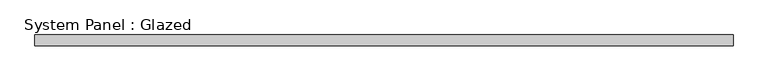
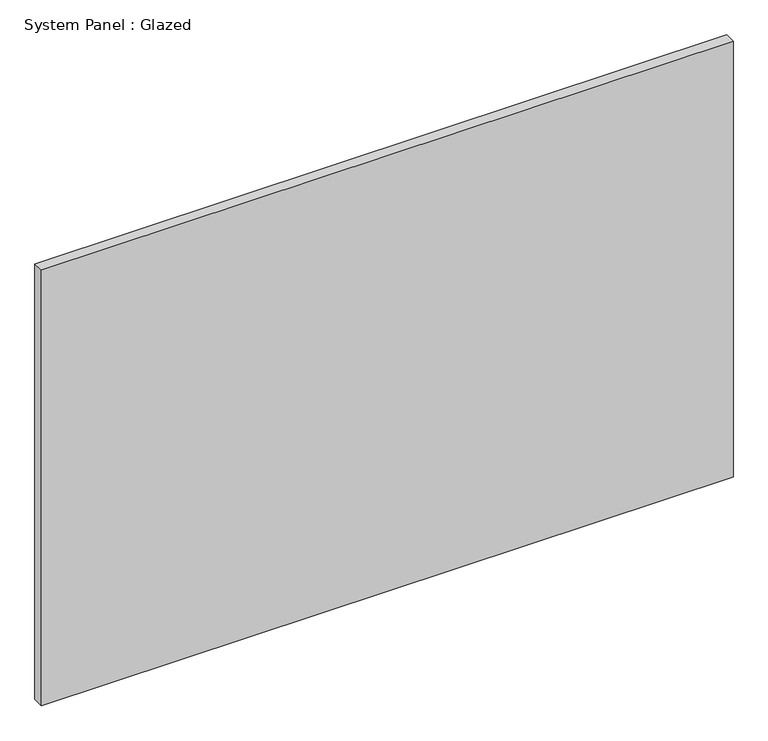
"""IFC4 building model written with IfcOpenShell, lengths in millimetres: plate geometry, System Panel : Glazed."""

from ifc_helpers import new_model, si_unit, origin, origin_with_axes, place, context, project, spatial, polyline, outline, extrude, source, transform, mapped, element, save


def system_panel_glazed_617310f6(model_context):
    return source(origin(), model_context, "Body", "SweptSolid", [
        extrude(outline(polyline([(810.7635919, -12.7), (-810.7635919, -12.7), (-810.7635919, 12.7), (810.7635919, 12.7), (810.7635919, -12.7)])), origin_with_axes(), (0.0, 0.0, 1.0), 1080.0),
    ])


if __name__ == "__main__":
    model = new_model("IFC4")
    model_context = context("Model", 3, world=origin())
    ifc_project = project(units=[si_unit("LENGTHUNIT", "METRE", prefix="MILLI")], contexts=[model_context])
    site = spatial("IfcSite", under=ifc_project)
    building = spatial("IfcBuilding", under=site)
    placement = place(None, origin())
    system_panel_glazed_shape = system_panel_glazed_617310f6(model_context)
    element("IfcPlate", 1, ObjectType="System Panel : Glazed", at=placement, inside=building, context=model_context, shape_type="MappedRepresentation", body=[
        mapped(system_panel_glazed_shape, transform((0.0, 0.0, 0.0), x_axis=(1.0, 0.0, 0.0), y_axis=(0.0, 1.0, 0.0), z_axis=(0.0, 0.0, 1.0))),
    ])
    save(model, "model.ifc")
